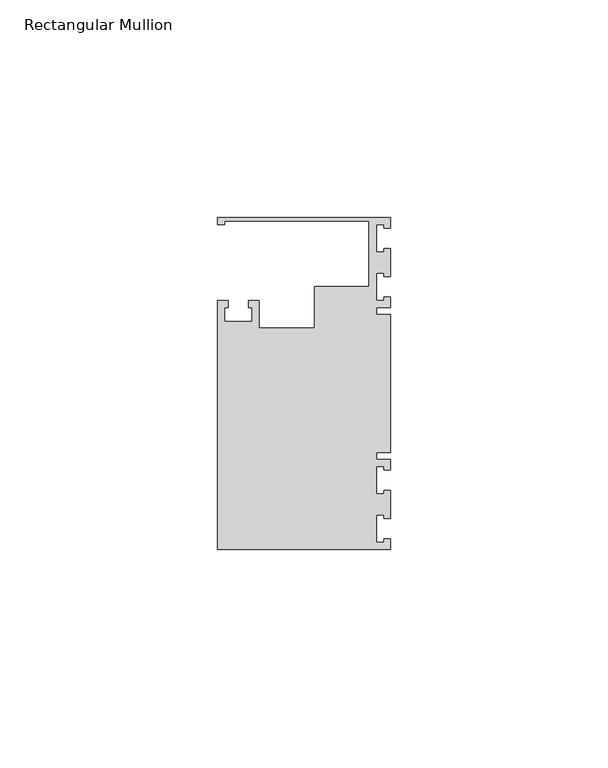
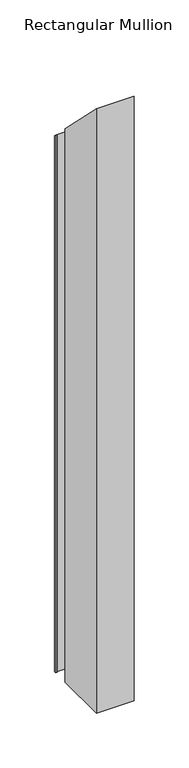
"""IFC4 building model written with IfcOpenShell, lengths in millimetres: member geometry, Rectangular Mullion."""

from ifc_helpers import new_model, si_unit, origin, place, context, project, spatial, faceted_brep, source, transform, mapped, element, save


def rectangular_mullion_4fc33b94(model_context):
    return source(origin(), model_context, "Body", "Brep", [
        faceted_brep([(0.0, 38.1, -635.0), (0.0, 35.71875, -635.0), (-1.4999946, 35.71875, -635.0), (-1.4999946, 36.5125, -635.0), (-3.175, 36.5125, -635.0), (-3.175, 30.1625, -635.0), (-1.4999946, 30.1625, -635.0), (-1.4999946, 30.95625, -635.0), (0.0, 30.95625, -635.0), (0.0, 24.60625, -635.0), (-1.4999946, 24.60625, -635.0), (-1.4999946, 25.4, -635.0), (-3.175, 25.4, -635.0), (-3.175, 19.05, -635.0), (-1.4999946, 19.05, -635.0), (-1.4999946, 19.84375, -635.0), (0.0, 19.84375, -635.0), (0.0, 17.4625, -635.0), (-3.175, 17.4625, -635.0), (-3.175, 15.875, -635.0), (0.0, 15.875, -635.0), (0.0, -15.875, -635.0), (-3.175, -15.875, -635.0), (-3.175, -17.4625, -635.0), (0.0, -17.4625, -635.0), (0.0, -19.84375, -635.0), (-1.4999946, -19.84375, -635.0), (-1.4999946, -19.05, -635.0), (-3.175, -19.05, -635.0), (-3.175, -25.4, -635.0), (-1.4999946, -25.4, -635.0), (-1.4999946, -24.60625, -635.0), (0.0, -24.60625, -635.0), (0.0, -30.95625, -635.0), (-1.4999946, -30.95625, -635.0), (-1.4999946, -30.1625, -635.0), (-3.175, -30.1625, -635.0), (-3.175, -36.5125, -635.0), (-1.4999946, -36.5125, -635.0), (-1.4999946, -35.71875, -635.0), (0.0, -35.71875, -635.0), (0.0, -38.1, -635.0), (-39.6875, -38.1, -635.0), (-39.6875, 19.05, -635.0), (-37.30625, 19.05, -635.0), (-37.30625, 17.4625, -635.0), (-38.1, 17.4625, -635.0), (-38.1, 14.2875, -635.0), (-31.75, 14.2875, -635.0), (-31.75, 17.4625, -635.0), (-32.54375, 17.4625, -635.0), (-32.54375, 19.05, -635.0), (-30.1625, 19.05, -635.0), (-30.1625, 12.6999969, -635.0), (-17.4625, 12.6999969, -635.0), (-17.4625, 22.225, -635.0), (-4.8585733, 22.225, -635.0), (-4.8585733, 37.30625, -635.0), (-38.1, 37.30625, -635.0), (-38.1, 36.5125, -635.0), (-39.6875, 36.5125, -635.0), (-39.6875, 38.1, -635.0), (-39.6875, 38.1, -38.1), (0.0, 38.1, -38.1), (-39.6875, 36.5125, -36.5125), (-38.1, 36.5125, -36.5125), (-38.1, 37.30625, -37.30625), (-4.8585733, 37.30625, -37.30625), (-4.8585733, 22.225, -22.225), (-17.4625, 22.225, -22.225), (-17.4625, 12.6999969, -12.6999969), (-30.1625, 12.6999969, -12.6999969), (-30.1625, 19.05, -19.05), (-32.54375, 19.05, -19.05), (-32.54375, 17.4625, -17.4625), (-31.75, 17.4625, -17.4625), (-31.75, 14.2875, -14.2875), (-38.1, 14.2875, -14.2875), (-38.1, 17.4625, -17.4625), (-37.30625, 17.4625, -17.4625), (-37.30625, 19.05, -19.05), (-39.6875, 19.05, -19.05), (-39.6875, -38.1, 38.1), (0.0, -38.1, 38.1), (0.0, -35.71875, 35.71875), (-1.4999946, -35.71875, 35.71875), (-1.4999946, -36.5125, 36.5125), (-3.175, -36.5125, 36.5125), (-3.175, -30.1625, 30.1625), (-1.4999946, -30.1625, 30.1625), (-1.4999946, -30.95625, 30.95625), (0.0, -30.95625, 30.95625), (0.0, -24.60625, 24.60625), (-1.4999946, -24.60625, 24.60625), (-1.4999946, -25.4, 25.4), (-3.175, -25.4, 25.4), (-3.175, -19.05, 19.05), (-1.4999946, -19.05, 19.05), (-1.4999946, -19.84375, 19.84375), (0.0, -19.84375, 19.84375), (0.0, -17.4625, 17.4625), (-3.175, -17.4625, 17.4625), (-3.175, -15.875, 15.875), (0.0, -15.875, 15.875), (0.0, 15.875, -15.875), (-3.175, 15.875, -15.875), (-3.175, 17.4625, -17.4625), (0.0, 17.4625, -17.4625), (0.0, 19.84375, -19.84375), (-1.4999946, 19.84375, -19.84375), (-1.4999946, 19.05, -19.05), (-3.175, 19.05, -19.05), (-3.175, 25.4, -25.4), (-1.4999946, 25.4, -25.4), (-1.4999946, 24.60625, -24.60625), (0.0, 24.60625, -24.60625), (0.0, 30.95625, -30.95625), (-1.4999946, 30.95625, -30.95625), (-1.4999946, 30.1625, -30.1625), (-3.175, 30.1625, -30.1625), (-3.175, 36.5125, -36.5125), (-1.4999946, 36.5125, -36.5125), (-1.4999946, 35.71875, -35.71875), (0.0, 35.71875, -35.71875)], [[[0, 1, 2, 3, 4, 5, 6, 7, 8, 9, 10, 11, 12, 13, 14, 15, 16, 17, 18, 19, 20, 21, 22, 23, 24, 25, 26, 27, 28, 29, 30, 31, 32, 33, 34, 35, 36, 37, 38, 39, 40, 41, 42, 43, 44, 45, 46, 47, 48, 49, 50, 51, 52, 53, 54, 55, 56, 57, 58, 59, 60, 61]], [[62, 63, 0, 61]], [[64, 62, 61, 60]], [[65, 64, 60, 59]], [[66, 65, 59, 58]], [[67, 66, 58, 57]], [[68, 67, 57, 56]], [[69, 68, 56, 55]], [[70, 69, 55, 54]], [[71, 70, 54, 53]], [[72, 71, 53, 52]], [[73, 72, 52, 51]], [[74, 73, 51, 50]], [[75, 74, 50, 49]], [[76, 75, 49, 48]], [[77, 76, 48, 47]], [[78, 77, 47, 46]], [[79, 78, 46, 45]], [[80, 79, 45, 44]], [[81, 80, 44, 43]], [[82, 81, 43, 42]], [[83, 82, 42, 41]], [[84, 83, 41, 40]], [[85, 84, 40, 39]], [[86, 85, 39, 38]], [[87, 86, 38, 37]], [[88, 87, 37, 36]], [[89, 88, 36, 35]], [[90, 89, 35, 34]], [[91, 90, 34, 33]], [[92, 91, 33, 32]], [[93, 92, 32, 31]], [[94, 93, 31, 30]], [[95, 94, 30, 29]], [[96, 95, 29, 28]], [[97, 96, 28, 27]], [[98, 97, 27, 26]], [[99, 98, 26, 25]], [[100, 99, 25, 24]], [[101, 100, 24, 23]], [[102, 101, 23, 22]], [[103, 102, 22, 21]], [[104, 103, 21, 20]], [[105, 104, 20, 19]], [[106, 105, 19, 18]], [[107, 106, 18, 17]], [[108, 107, 17, 16]], [[109, 108, 16, 15]], [[110, 109, 15, 14]], [[111, 110, 14, 13]], [[112, 111, 13, 12]], [[113, 112, 12, 11]], [[114, 113, 11, 10]], [[115, 114, 10, 9]], [[116, 115, 9, 8]], [[117, 116, 8, 7]], [[118, 117, 7, 6]], [[119, 118, 6, 5]], [[120, 119, 5, 4]], [[121, 120, 4, 3]], [[122, 121, 3, 2]], [[123, 122, 2, 1]], [[63, 123, 1, 0]], [[63, 62, 64, 65, 66, 67, 68, 69, 70, 71, 72, 73, 74, 75, 76, 77, 78, 79, 80, 81, 82, 83, 84, 85, 86, 87, 88, 89, 90, 91, 92, 93, 94, 95, 96, 97, 98, 99, 100, 101, 102, 103, 104, 105, 106, 107, 108, 109, 110, 111, 112, 113, 114, 115, 116, 117, 118, 119, 120, 121, 122, 123]]]),
    ])


if __name__ == "__main__":
    model = new_model("IFC4")
    model_context = context("Model", 3, world=origin())
    ifc_project = project(units=[si_unit("LENGTHUNIT", "METRE", prefix="MILLI")], contexts=[model_context])
    site = spatial("IfcSite", under=ifc_project)
    building = spatial("IfcBuilding", under=site)
    placement = place(None, origin())
    rectangular_mullion_shape = rectangular_mullion_4fc33b94(model_context)
    element("IfcMember", 1, ObjectType="Rectangular Mullion", at=placement, inside=building, context=model_context, shape_type="MappedRepresentation", body=[
        mapped(rectangular_mullion_shape, transform((0.0, 0.0, 0.0), x_axis=(1.0, 0.0, 0.0), y_axis=(0.0, 1.0, 0.0), z_axis=(0.0, 0.0, 1.0))),
    ])
    save(model, "model.ifc")
